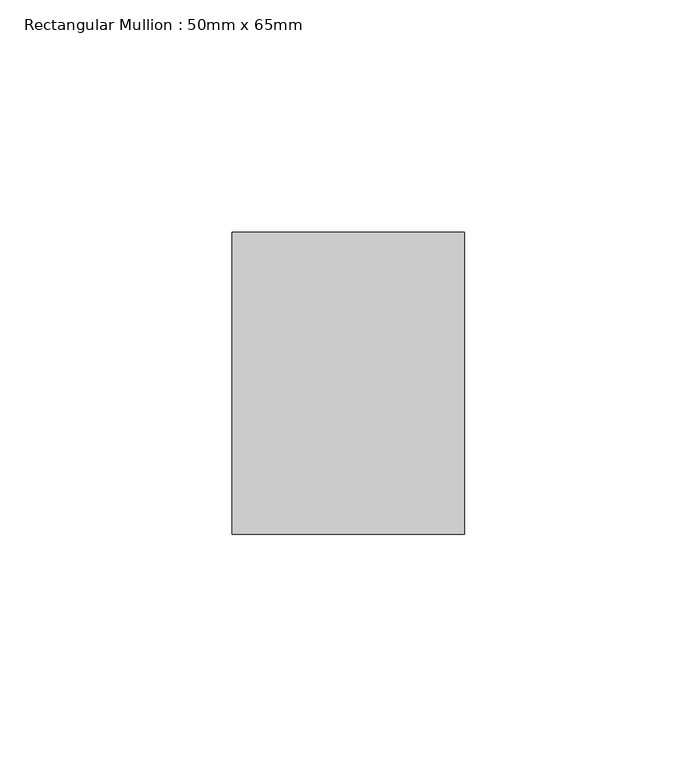
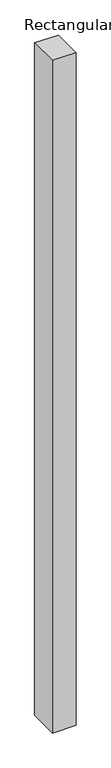
"""IFC4 building model written with IfcOpenShell, lengths in millimetres: member geometry, Rectangular Mullion : 50mm x 65mm."""

from ifc_helpers import new_model, si_unit, origin, place, context, project, spatial, faceted_brep, source, transform, mapped, element, save


def rectangular_mullion_50mm_x_65mm_a459f819(model_context):
    return source(origin(), model_context, "Body", "Brep", [
        faceted_brep([(-25.0, 32.5, -0.2027384), (25.0, 32.5, -0.2027392), (25.0, 32.5, -1499.8929211), (-25.0, 32.5, -1499.8929214), (-25.0, -32.5, 0.2027392), (-25.0, -32.5, -1500.107584), (25.0, -32.5, 0.2027384), (25.0, -32.5, -1500.1075837)], [[[0, 1, 2, 3]], [[4, 0, 3, 5]], [[6, 4, 5, 7]], [[1, 6, 7, 2]], [[1, 0, 4, 6]], [[2, 7, 5, 3]]]),
    ])


if __name__ == "__main__":
    model = new_model("IFC4")
    model_context = context("Model", 3, world=origin())
    ifc_project = project(units=[si_unit("LENGTHUNIT", "METRE", prefix="MILLI")], contexts=[model_context])
    site = spatial("IfcSite", under=ifc_project)
    building = spatial("IfcBuilding", under=site)
    placement = place(None, origin())
    rectangular_mullion_50mm_x_65mm_shape = rectangular_mullion_50mm_x_65mm_a459f819(model_context)
    element("IfcMember", 1, ObjectType="Rectangular Mullion : 50mm x 65mm", at=placement, inside=building, context=model_context, shape_type="MappedRepresentation", body=[
        mapped(rectangular_mullion_50mm_x_65mm_shape, transform((0.0, 0.0, 0.0), x_axis=(1.0, 0.0, 0.0), y_axis=(0.0, 1.0, 0.0), z_axis=(0.0, 0.0, 1.0))),
    ])
    save(model, "model.ifc")
